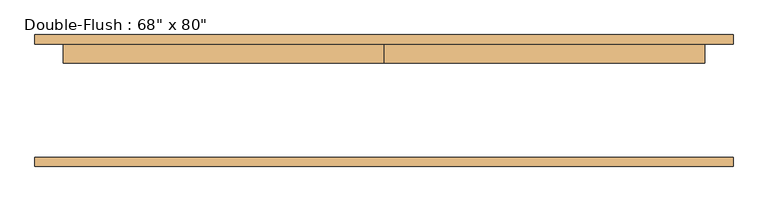
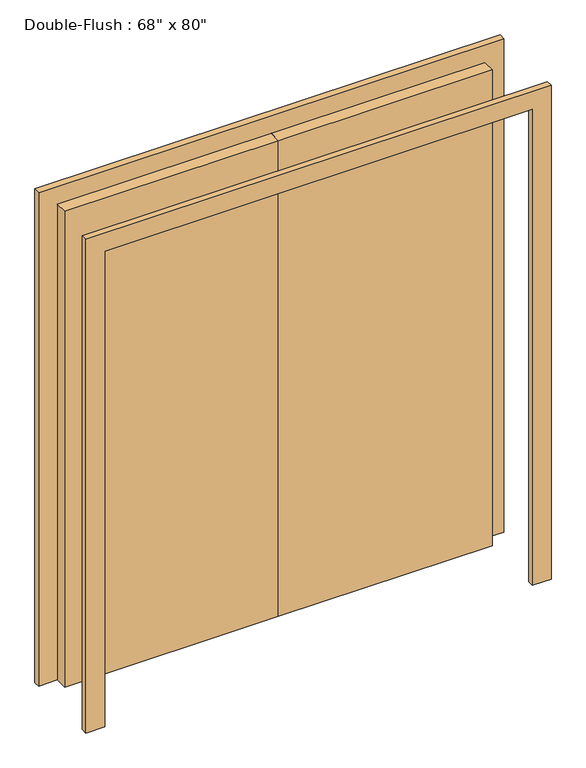
"""IFC4 building model written with IfcOpenShell, lengths in millimetres: door geometry."""

from ifc_helpers import new_model, si_unit, frame, origin, origin_with_axes, place, context, project, spatial, polyline, outline, extrude, source, transform, mapped, element, save


def door_690f586b(model_context):
    return source(origin(), model_context, "Body", "SweptSolid", [
        extrude(outline(polyline([(0.0, 152.4), (863.6, 152.4), (863.6, 101.6), (0.0, 101.6), (0.0, 152.4)])), origin_with_axes(), (0.0, 0.0, 1.0), 2032.0),
        extrude(outline(polyline([(-863.6, 152.4), (0.0, 152.4), (0.0, 101.6), (-863.6, 101.6), (-863.6, 152.4)])), origin_with_axes(), (0.0, 0.0, 1.0), 2032.0),
        extrude(outline(polyline([(2032.0, -863.6), (2032.0, 863.6), (0.0, 863.6), (0.0, 939.8), (2108.2, 939.8), (2108.2, -939.8), (0.0, -939.8), (0.0, -863.6), (2032.0, -863.6)])), frame((0.0, -177.8, 0.0), z_axis=(0.0, 1.0, 0.0), x_axis=(0.0, 0.0, 1.0)), (0.0, 0.0, 1.0), 25.4),
        extrude(outline(polyline([(2032.0, -863.6), (2032.0, 863.6), (0.0, 863.6), (0.0, 939.8), (2108.2, 939.8), (2108.2, -939.8), (0.0, -939.8), (0.0, -863.6), (2032.0, -863.6)])), frame((0.0, 152.4, 0.0), z_axis=(0.0, 1.0, 0.0), x_axis=(0.0, 0.0, 1.0)), (0.0, 0.0, 1.0), 25.4),
    ])


if __name__ == "__main__":
    model = new_model("IFC4")
    model_context = context("Model", 3, world=origin())
    ifc_project = project(units=[si_unit("LENGTHUNIT", "METRE", prefix="MILLI")], contexts=[model_context])
    site = spatial("IfcSite", under=ifc_project)
    building = spatial("IfcBuilding", under=site)
    placement = place(None, origin())
    door_shape = door_690f586b(model_context)
    element("IfcDoor", 1, ObjectType="Double-Flush : 68\" x 80\"", at=placement, inside=building, context=model_context, shape_type="MappedRepresentation", body=[
        mapped(door_shape, transform((0.0, 0.0, 0.0), x_axis=(1.0, 0.0, 0.0), y_axis=(0.0, 1.0, 0.0), z_axis=(0.0, 0.0, 1.0))),
    ])
    save(model, "model.ifc")
